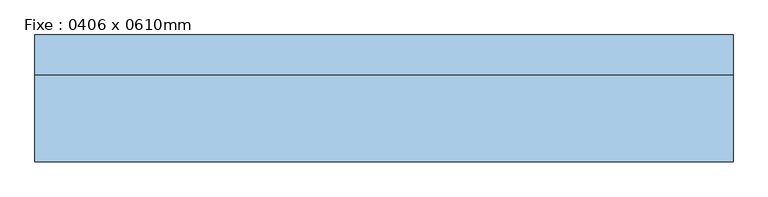
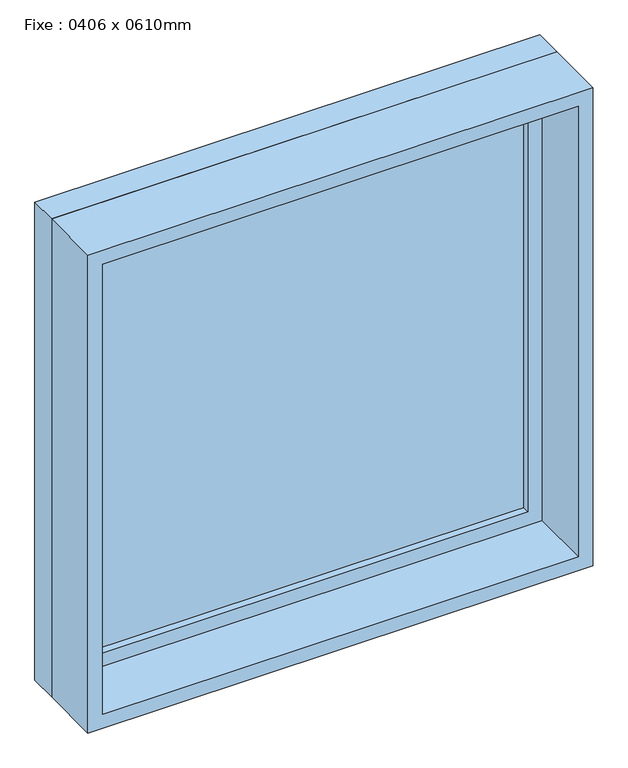
"""IFC4 building model written with IfcOpenShell, lengths in millimetres: window geometry, Fixe : 0406 x 0610mm."""

from ifc_helpers import new_model, si_unit, frame, origin, place, context, project, spatial, polyline, outline, extrude, source, transform, mapped, element, save


def fixe_0406_x_0610mm_7af22d88(model_context):
    return source(origin(), model_context, "Body", "SweptSolid", [
        extrude(outline(polyline([(-487.0, 78.0), (487.0, 78.0), (487.0, 66.0), (-487.0, 66.0), (-487.0, 78.0)])), frame((0.0, 0.0, 713.0), z_axis=(0.0, 0.0, 1.0), x_axis=(1.0, 0.0, 0.0)), (0.0, 0.0, 1.0), 974.0),
        extrude(outline(polyline([(1731.0, -531.0), (669.0, -531.0), (669.0, 531.0), (1731.0, 531.0), (1731.0, -531.0)]), holes=[polyline([(1687.0, -487.0), (1687.0, 487.0), (713.0, 487.0), (713.0, -487.0), (1687.0, -487.0)])]), frame((0.0, 50.0, 0.0), z_axis=(0.0, 1.0, 0.0), x_axis=(0.0, 0.0, 1.0)), (0.0, 0.0, 1.0), 44.0),
        extrude(outline(polyline([(1750.0, -550.0), (650.0, -550.0), (650.0, 550.0), (1750.0, 550.0), (1750.0, -550.0)]), holes=[polyline([(1731.0, -531.0), (1731.0, 531.0), (669.0, 531.0), (669.0, -531.0), (1731.0, -531.0)])]), frame((0.0, 50.0, 0.0), z_axis=(0.0, 1.0, 0.0), x_axis=(0.0, 0.0, 1.0)), (0.0, 0.0, 1.0), 63.0),
        extrude(outline(polyline([(1750.0, -550.0), (650.0, -550.0), (650.0, 550.0), (1750.0, 550.0), (1750.0, -550.0)]), holes=[polyline([(1718.0, -518.0), (1718.0, 518.0), (682.0, 518.0), (682.0, -518.0), (1718.0, -518.0)])]), frame((0.0, -87.0, 0.0), z_axis=(0.0, 1.0, 0.0), x_axis=(0.0, 0.0, 1.0)), (0.0, 0.0, 1.0), 137.0),
    ])


if __name__ == "__main__":
    model = new_model("IFC4")
    model_context = context("Model", 3, world=origin())
    ifc_project = project(units=[si_unit("LENGTHUNIT", "METRE", prefix="MILLI")], contexts=[model_context])
    site = spatial("IfcSite", under=ifc_project)
    building = spatial("IfcBuilding", under=site)
    placement = place(None, origin())
    fixe_0406_x_0610mm_shape = fixe_0406_x_0610mm_7af22d88(model_context)
    element("IfcWindow", 1, ObjectType="Fixe : 0406 x 0610mm", at=placement, inside=building, context=model_context, shape_type="MappedRepresentation", body=[
        mapped(fixe_0406_x_0610mm_shape, transform((0.0, 0.0, 0.0), x_axis=(1.0, 0.0, 0.0), y_axis=(0.0, 1.0, 0.0), z_axis=(0.0, 0.0, 1.0))),
    ])
    save(model, "model.ifc")
